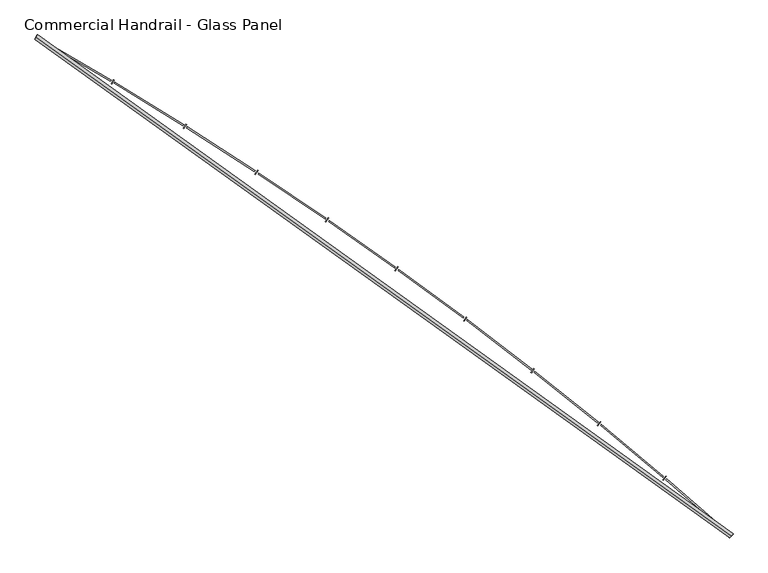
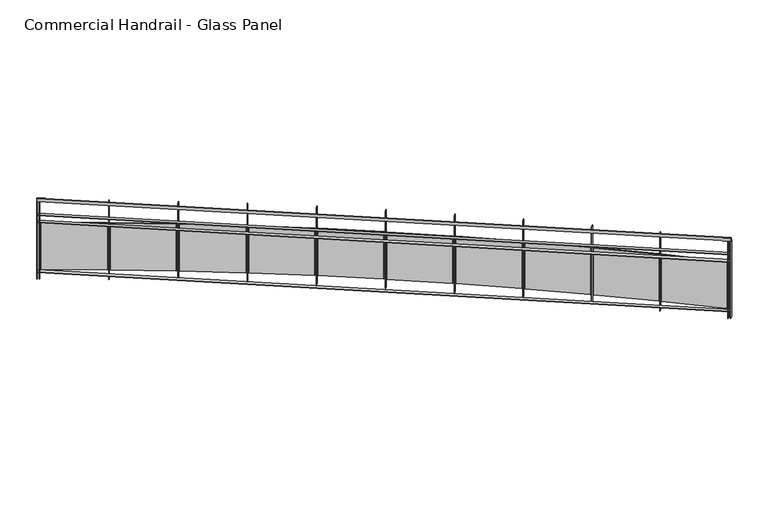
"""IFC4 building model written with IfcOpenShell, lengths in millimetres: railing geometry, Commercial Handrail - Glass Panel."""

import ifcopenshell
import ifcopenshell.guid

model = None  # the IFC model being written
_history = None  # IfcOwnerHistory: only IFC2X3 demands one
_inside = {}  # id of a spatial element -> (the spatial element, [elements in it])
_under = {}  # id of a project, library or spatial element -> (it, [spatial elements below it])
_declared = {}  # id of a project -> (the project, [libraries it declares])
_typed = {}  # id of a type object -> (the type object, [elements of that type])
_made_of = {}  # id of a material, layer set ... -> (it, [elements and type objects made of it])


def new_model(schema):
    """Start an empty IFC model of exactly this schema.

    Asked for "IFC4X3", IfcOpenShell would pick the latest addendum, in which some entities
    have other attributes; the version numbers below select the first issue.
    IFC2X3 requires an IfcOwnerHistory on every rooted entity: one is made here for all.
    """
    global model, _history
    if schema == "IFC4X3":
        model = ifcopenshell.file(schema_version=(4, 3, 0, 0))
    else:
        model = ifcopenshell.file(schema=schema)
    _inside.clear()
    _under.clear()
    _declared.clear()
    _typed.clear()
    _made_of.clear()
    _history = None
    if model.schema == "IFC2X3":
        org = make("IfcOrganization", Name="unknown")
        user = make(
            "IfcPersonAndOrganization",
            ThePerson=make("IfcPerson", FamilyName="unknown"),
            TheOrganization=org,
        )
        app = make(
            "IfcApplication",
            ApplicationDeveloper=org,
            Version="unknown",
            ApplicationFullName="unknown",
            ApplicationIdentifier="unknown",
        )
        _history = make(
            "IfcOwnerHistory",
            OwningUser=user,
            OwningApplication=app,
            ChangeAction="ADDED",
            CreationDate=0,
        )
    return model


def make(cls, **values):
    """One entity of the class cls with the attributes given. An attribute that is None is left unset."""
    return model.create_entity(
        cls, **{name: value for name, value in values.items() if value is not None}
    )


def rooted(cls, **values):
    """An entity with a GlobalId (a new one), such as an element, a storey or a relation."""
    return make(cls, GlobalId=ifcopenshell.guid.new(), OwnerHistory=_history, **values)


def si_unit(unit_type, name, prefix=None):
    """IfcSIUnit, for example si_unit("LENGTHUNIT", "METRE", prefix="MILLI")."""
    return make("IfcSIUnit", UnitType=unit_type, Prefix=prefix, Name=name)


def assignment(units):
    """IfcUnitAssignment: the units of a project."""
    return None if units is None else make("IfcUnitAssignment", Units=units)


def point(xyz):
    """IfcCartesianPoint."""
    return None if xyz is None else make("IfcCartesianPoint", Coordinates=xyz)


def direction(xyz):
    """IfcDirection."""
    return None if xyz is None else make("IfcDirection", DirectionRatios=xyz)


def frame(location, z_axis=None, x_axis=None):
    """IfcAxis2Placement3D, a coordinate frame: its origin and axes. An axis left out is left unset."""
    return make(
        "IfcAxis2Placement3D",
        Location=point(location),
        Axis=direction(z_axis),
        RefDirection=direction(x_axis),
    )


def origin():
    """The frame at (0, 0, 0) with its axes left unset."""
    return frame((0.0, 0.0, 0.0))


def place(relative_to, where):
    """IfcLocalPlacement: puts the frame where relative to a parent placement (None: the world)."""
    return make(
        "IfcLocalPlacement", PlacementRelTo=relative_to, RelativePlacement=where
    )


def context(
    kind, dimensions, precision=None, world=None, true_north=None, identifier=None
):
    """IfcGeometricRepresentationContext, for example the 3D "Model" context."""
    return make(
        "IfcGeometricRepresentationContext",
        ContextIdentifier=identifier,
        ContextType=kind,
        CoordinateSpaceDimension=dimensions,
        Precision=precision,
        WorldCoordinateSystem=world,
        TrueNorth=true_north,
    )


def project(units=None, contexts=None):
    """IfcProject with its units and contexts."""
    return rooted(
        "IfcProject",
        Name="project",
        RepresentationContexts=contexts,
        UnitsInContext=assignment(units),
    )


def spatial(cls, under=None, at=None, **own):
    """A site, building, storey or space (cls), placed at a placement, below another one or the project."""
    s = rooted(cls, ObjectPlacement=at, **own)
    if under is not None:
        _under.setdefault(under.id(), (under, []))[1].append(s)
    return s


def polyline(points):
    """IfcPolyline through the points."""
    return make("IfcPolyline", Points=[point(p) for p in points])


def circle_curve(where, radius):
    """IfcCircle in the frame where."""
    return make("IfcCircle", Position=where, Radius=radius)


def ellipse_curve(where, semi_axis1, semi_axis2):
    """IfcEllipse in the frame where."""
    return make(
        "IfcEllipse", Position=where, SemiAxis1=semi_axis1, SemiAxis2=semi_axis2
    )


def trimmed(basis, trim1, trim2, sense, master):
    """IfcTrimmedCurve: the piece of a basis curve between two trims."""
    return make(
        "IfcTrimmedCurve",
        BasisCurve=basis,
        Trim1=trim1,
        Trim2=trim2,
        SenseAgreement=sense,
        MasterRepresentation=master,
    )


def outline(outer, holes=None, kind="AREA"):
    """IfcArbitraryClosedProfileDef: a profile drawn as a closed curve; with holes, ...WithVoids."""
    if holes is None:
        return make("IfcArbitraryClosedProfileDef", ProfileType=kind, OuterCurve=outer)
    return make(
        "IfcArbitraryProfileDefWithVoids",
        ProfileType=kind,
        OuterCurve=outer,
        InnerCurves=holes,
    )


def extrude(swept, where, along, depth):
    """IfcExtrudedAreaSolid: the profile swept, set in the frame where, extruded along a direction by depth."""
    return make(
        "IfcExtrudedAreaSolid",
        SweptArea=swept,
        Position=where,
        ExtrudedDirection=direction(along),
        Depth=depth,
    )


def shape(context_of_items, identifier, shape_type, items):
    """IfcShapeRepresentation: the items that make up one representation, for example the "Body"."""
    return make(
        "IfcShapeRepresentation",
        ContextOfItems=context_of_items,
        RepresentationIdentifier=identifier,
        RepresentationType=shape_type,
        Items=items,
    )


def source(mapping_origin, context_of_items, identifier, shape_type, items):
    """IfcRepresentationMap: a shape defined once, which mapped items show again and again."""
    return make(
        "IfcRepresentationMap",
        MappingOrigin=mapping_origin,
        MappedRepresentation=shape(context_of_items, identifier, shape_type, items),
    )


def transform(
    local_origin,
    x_axis=None,
    y_axis=None,
    z_axis=None,
    scale=None,
    scale2=None,
    scale3=None,
    uniform=True,
):
    """IfcCartesianTransformationOperator3D, or its non-uniform kind. x_axis, y_axis, z_axis: its Axis1, 2, 3."""
    if uniform:
        return make(
            "IfcCartesianTransformationOperator3D",
            Axis1=direction(x_axis),
            Axis2=direction(y_axis),
            LocalOrigin=point(local_origin),
            Scale=scale,
            Axis3=direction(z_axis),
        )
    return make(
        "IfcCartesianTransformationOperator3DnonUniform",
        Axis1=direction(x_axis),
        Axis2=direction(y_axis),
        LocalOrigin=point(local_origin),
        Scale=scale,
        Axis3=direction(z_axis),
        Scale2=scale2,
        Scale3=scale3,
    )


def mapped(mapping_source, mapping_target):
    """IfcMappedItem: shows the shape of a source again, moved by a transform."""
    return make(
        "IfcMappedItem", MappingSource=mapping_source, MappingTarget=mapping_target
    )


def made_of(thing, what):
    """Note that an element or type object is made of a material, layer set ...; save() writes the relation."""
    if what is not None:
        _made_of.setdefault(what.id(), (what, []))[1].append(thing)
    return thing


def element(
    cls,
    number,
    at=None,
    inside=None,
    cuts=None,
    type_object=None,
    material=None,
    context=None,
    identifier="Body",
    shape_type=None,
    held_by="IfcProductDefinitionShape",
    body=None,
    shapes=None,
    **own,
):
    """One element of the class cls, such as IfcWall. Its Tag is "e" and its number.

    at: its placement. inside: the storey or other place that contains it. cuts: it is an
    opening in that element (IfcRelVoidsElement). A single representation is given by context,
    identifier, shape_type and body (its items); several are given by shapes. held_by: the class
    of the entity that holds the representations. save() writes the other relations.
    """
    e = rooted(cls, Tag="e%d" % number, ObjectPlacement=at, **own)
    if body is not None:
        shapes = [shape(context, identifier, shape_type, body)]
    if shapes is not None:
        e.Representation = make(held_by, Representations=shapes)
    if inside is not None:
        _inside.setdefault(inside.id(), (inside, []))[1].append(e)
    if cuts is not None:
        rooted(
            "IfcRelVoidsElement", RelatingBuildingElement=cuts, RelatedOpeningElement=e
        )
    if type_object is not None:
        _typed.setdefault(type_object.id(), (type_object, []))[1].append(e)
    return made_of(e, material)


def aggregate(whole, parts):
    """IfcRelAggregates: a whole, such as a stair, and the parts it consists of."""
    return rooted("IfcRelAggregates", RelatingObject=whole, RelatedObjects=parts)


def save(model, path):
    """Write the relations noted so far, then the file.

    IfcRelAggregates (storeys below a building ...), IfcRelContainedInSpatialStructure (elements
    in a storey), IfcRelDefinesByType, IfcRelAssociatesMaterial and IfcRelDeclares: one each for
    every whole, place, type object, material and project.
    """
    for whole, parts in _under.values():
        aggregate(whole, parts)
    for where, things in _inside.values():
        rooted(
            "IfcRelContainedInSpatialStructure",
            RelatedElements=things,
            RelatingStructure=where,
        )
    for kind, things in _typed.values():
        rooted("IfcRelDefinesByType", RelatedObjects=things, RelatingType=kind)
    for what, things in _made_of.values():
        rooted("IfcRelAssociatesMaterial", RelatedObjects=things, RelatingMaterial=what)
    for by, libraries in _declared.values():
        rooted("IfcRelDeclares", RelatingContext=by, RelatedDefinitions=libraries)
    model.write(path)


def plane_surface(at):
    """IfcPlane: the flat surface through the origin of the frame at, square to its z axis."""
    return make("IfcPlane", Position=at)


def cylinder_surface(at, radius):
    """IfcCylindricalSurface: all points at the distance radius from the z axis of the frame at."""
    return make("IfcCylindricalSurface", Position=at, Radius=radius)


def revolved_surface(curve, axis_point, axis_direction):
    """IfcSurfaceOfRevolution: the curve turned about the line through axis_point along axis_direction."""
    return make(
        "IfcSurfaceOfRevolution",
        SweptCurve=make("IfcArbitraryOpenProfileDef", ProfileType="CURVE", Curve=curve),
        AxisPosition=make("IfcAxis1Placement", Location=point(axis_point), Axis=direction(axis_direction)),
    )


def advanced_brep(points, edges, surfaces, faces):
    """IfcAdvancedBrep: a solid bounded by faces that lie on surfaces and meet in shared edges.

    An edge is (start, end): straight between two places in points (the first is 0);
    or (start, end, curve); or (start, end, curve, False) where it runs against its curve.
    A face is (place in surfaces, loops), or (place, loops, False) where it looks against
    its surface's normal. A loop lists edges by number (the first is 1), with a minus sign
    where the edge is run from its end to its start. The first loop is the outer one.
    """
    corners = [point(p) for p in points]
    vertices = [make("IfcVertexPoint", VertexGeometry=c) for c in corners]
    made = []
    for start, end, *more in edges:
        made.append(
            make(
                "IfcEdgeCurve",
                EdgeStart=vertices[start],
                EdgeEnd=vertices[end],
                EdgeGeometry=more[0] if more else make("IfcPolyline", Points=[corners[start], corners[end]]),
                SameSense=more[1] if len(more) > 1 else True,
            )
        )
    hull = []
    for where, loops, *sense in faces:
        bounds = []
        for j, loop in enumerate(loops):
            ring = [make("IfcOrientedEdge", EdgeElement=made[abs(k) - 1], Orientation=k > 0) for k in loop]
            bounds.append(
                make(
                    "IfcFaceOuterBound" if j == 0 else "IfcFaceBound",
                    Bound=make("IfcEdgeLoop", EdgeList=ring),
                    Orientation=True,
                )
            )
        hull.append(make("IfcAdvancedFace", Bounds=bounds, FaceSurface=surfaces[where], SameSense=sense[0] if sense else True))
    return make("IfcAdvancedBrep", Outer=make("IfcClosedShell", CfsFaces=hull))


def commercial_handrail_glass_panel_be9531a5(model_context):
    return source(origin(), model_context, "Body", "SolidModel", [
        advanced_brep(
        [(167549.0741026, -21421.502679, 23082.5), (161013.6212135, -16726.1286002, 23082.5), (161013.6212135, -16726.1286002, 23117.5), (167549.0741026, -21421.502679, 23117.5)],
        [
            (0, 1, circle_curve(frame((141448.4989992, -50854.6714836, 23082.5), z_axis=(0.0, 0.0, 1.0), x_axis=(0.4973475894068907, 0.8675513675346002, 0.0)), 39338.9304203)),
            (1, 2, ellipse_curve(frame((161013.6212135, -16726.1286002, 23100.0), z_axis=(0.867551367534597, -0.4973475894068962, 0.0), x_axis=(-0.4973475894068962, -0.867551367534597, 0.0)), 25.0, 17.5)),
            (2, 3, circle_curve(frame((141448.4989992, -50854.6714836, 23117.5), z_axis=(0.0, 0.0, -1.0), x_axis=(0.4973475894068907, 0.8675513675346002, 0.0)), 39338.9304203)),
            (3, 0, ellipse_curve(frame((167549.0741026, -21421.502679, 23100.0), z_axis=(-0.748194434626209, 0.6634795309535686, 0.0), x_axis=(-0.6634795309535686, -0.748194434626209, 0.0)), 25.0, 17.5)),
            (2, 1, ellipse_curve(frame((161013.6212135, -16726.1286002, 23100.0), z_axis=(0.867551367534597, -0.4973475894068962, 0.0), x_axis=(-0.4973475894068962, -0.867551367534597, 0.0)), 25.0, 17.5)),
            (0, 3, ellipse_curve(frame((167549.0741026, -21421.502679, 23100.0), z_axis=(-0.748194434626209, 0.6634795309535686, 0.0), x_axis=(-0.6634795309535686, -0.748194434626209, 0.0)), 25.0, 17.5)),
        ],
        [
            revolved_surface(trimmed(ellipse_curve(frame((161013.6212135, -16726.1286002, 23100.0), z_axis=(-0.8675513675346002, 0.4973475894068907, 0.0), x_axis=(0.0, 0.0, -1.0)), 17.5, 25.0), [point((161013.6212135, -16726.1286002, 23117.5))], [point((161013.6212135, -16726.1286002, 23082.5))], True, "CARTESIAN"), (141448.4989992, -50854.6714836, 23100.0), (0.0, 0.0, -1.0)),
            revolved_surface(trimmed(ellipse_curve(frame((161013.6212135, -16726.1286002, 23100.0), z_axis=(-0.8675513675346002, 0.4973475894068907, 0.0), x_axis=(0.0, 0.0, -1.0)), 17.5, 25.0), [point((161013.6212135, -16726.1286002, 23082.5))], [point((161013.6212135, -16726.1286002, 23117.5))], True, "CARTESIAN"), (141448.4989992, -50854.6714836, 23100.0), (0.0, 0.0, -1.0)),
            plane_surface(frame((161013.6212135, -16726.1286002, 23100.0), z_axis=(-0.8675513675346002, 0.4973475894068907, 0.0), x_axis=(0.4973475894068907, 0.8675513675346002, 0.0))),
            plane_surface(frame((167549.0741026, -21421.502679, 23100.0), z_axis=(0.7481944346262088, -0.663479530953569, 0.0), x_axis=(0.663479530953569, 0.7481944346262088, 0.0))),
        ],
        [
            (0, [[1, 2, 3, 4]]),
            (1, [[-3, 5, -1, 6]]),
            (2, [[-2, -5]]),
            (3, [[-6, -4]]),
        ],
    ),
        advanced_brep(
        [(167564.0023921, -21404.6683042, 22900.0), (161024.8115343, -16706.6086944, 22900.0), (161002.4308928, -16745.6485059, 22900.0), (167534.1458132, -21438.3370538, 22900.0), (167564.0023921, -21404.6683042, 22894.0), (161024.8115343, -16706.6086944, 22894.0), (167534.1458132, -21438.3370538, 22894.0), (161002.4308928, -16745.6485059, 22894.0)],
        [
            (0, 1, circle_curve(frame((141448.4989992, -50854.6714836, 22900.0), z_axis=(0.0, 0.0, 1.0), x_axis=(0.4973475894068907, 0.8675513675346002, 0.0)), 39361.4304203)),
            (1, 2),
            (2, 3, circle_curve(frame((141448.4989992, -50854.6714836, 22900.0), z_axis=(0.0, 0.0, -1.0), x_axis=(0.4973475894068907, 0.8675513675346002, 0.0)), 39316.4304203)),
            (3, 0),
            (4, 5, circle_curve(frame((141448.4989992, -50854.6714836, 22894.0), z_axis=(0.0, 0.0, 1.0), x_axis=(0.4973475894068907, 0.8675513675346002, 0.0)), 39361.4304203)),
            (5, 1),
            (0, 4),
            (6, 7, circle_curve(frame((141448.4989992, -50854.6714836, 22894.0), z_axis=(0.0, 0.0, 1.0), x_axis=(0.4973475894068907, 0.8675513675346002, 0.0)), 39316.4304203)),
            (7, 5),
            (4, 6),
            (2, 7),
            (6, 3),
        ],
        [
            plane_surface(frame((141448.4989992, -50854.6714836, 22900.0), z_axis=(0.0, 0.0, 1.0), x_axis=(0.4973475894068907, 0.8675513675346002, 0.0))),
            cylinder_surface(frame((141448.4989992, -50854.6714836, 22900.0), z_axis=(0.0, 0.0, -1.0), x_axis=(0.4973475894068907, 0.8675513675346002, 0.0)), 39361.4304203),
            plane_surface(frame((141448.4989992, -50854.6714836, 22894.0), z_axis=(0.0, 0.0, -1.0), x_axis=(0.4973475894068907, 0.8675513675346002, 0.0))),
            revolved_surface(polyline([(161002.43089281995, -16745.64850588978, 22894.0), (161002.43089281995, -16745.64850588978, 22900.0)]), (141448.4989992, -50854.6714836, 22900.0), (0.0, 0.0, -1.0)),
            plane_surface(frame((161013.6212135, -16726.1286002, 22900.0), z_axis=(-0.8675513675346002, 0.4973475894068907, 0.0), x_axis=(0.4973475894068907, 0.8675513675346002, 0.0))),
            plane_surface(frame((167549.0741026, -21421.502679, 22900.0), z_axis=(0.7481944346262088, -0.663479530953569, 0.0), x_axis=(0.663479530953569, 0.7481944346262088, 0.0))),
        ],
        [
            (0, [[1, 2, 3, 4]]),
            (1, [[5, 6, -1, 7]]),
            (2, [[8, 9, -5, 10]]),
            (3, [[-3, 11, -8, 12]]),
            (4, [[-2, -6, -9, -11]]),
            (5, [[-12, -10, -7, -4]]),
        ],
    ),
        advanced_brep(
        [(167564.0023921, -21404.6683042, 22800.0), (161024.8115343, -16706.6086944, 22800.0), (161002.4308928, -16745.6485059, 22800.0), (167534.1458132, -21438.3370538, 22800.0), (167564.0023921, -21404.6683042, 22794.0), (161024.8115343, -16706.6086944, 22794.0), (167534.1458132, -21438.3370538, 22794.0), (161002.4308928, -16745.6485059, 22794.0)],
        [
            (0, 1, circle_curve(frame((141448.4989992, -50854.6714836, 22800.0), z_axis=(0.0, 0.0, 1.0), x_axis=(0.4973475894068907, 0.8675513675346002, 0.0)), 39361.4304203)),
            (1, 2),
            (2, 3, circle_curve(frame((141448.4989992, -50854.6714836, 22800.0), z_axis=(0.0, 0.0, -1.0), x_axis=(0.4973475894068907, 0.8675513675346002, 0.0)), 39316.4304203)),
            (3, 0),
            (4, 5, circle_curve(frame((141448.4989992, -50854.6714836, 22794.0), z_axis=(0.0, 0.0, 1.0), x_axis=(0.4973475894068907, 0.8675513675346002, 0.0)), 39361.4304203)),
            (5, 1),
            (0, 4),
            (6, 7, circle_curve(frame((141448.4989992, -50854.6714836, 22794.0), z_axis=(0.0, 0.0, 1.0), x_axis=(0.4973475894068907, 0.8675513675346002, 0.0)), 39316.4304203)),
            (7, 5),
            (4, 6),
            (2, 7),
            (6, 3),
        ],
        [
            plane_surface(frame((141448.4989992, -50854.6714836, 22800.0), z_axis=(0.0, 0.0, 1.0), x_axis=(0.4973475894068907, 0.8675513675346002, 0.0))),
            cylinder_surface(frame((141448.4989992, -50854.6714836, 22800.0), z_axis=(0.0, 0.0, -1.0), x_axis=(0.4973475894068907, 0.8675513675346002, 0.0)), 39361.4304203),
            plane_surface(frame((141448.4989992, -50854.6714836, 22794.0), z_axis=(0.0, 0.0, -1.0), x_axis=(0.4973475894068907, 0.8675513675346002, 0.0))),
            revolved_surface(polyline([(161002.43089281995, -16745.64850588978, 22794.0), (161002.43089281995, -16745.64850588978, 22800.0)]), (141448.4989992, -50854.6714836, 22800.0), (0.0, 0.0, -1.0)),
            plane_surface(frame((161013.6212135, -16726.1286002, 22800.0), z_axis=(-0.8675513675346002, 0.4973475894068907, 0.0), x_axis=(0.4973475894068907, 0.8675513675346002, 0.0))),
            plane_surface(frame((167549.0741026, -21421.502679, 22800.0), z_axis=(0.7481944346262088, -0.663479530953569, 0.0), x_axis=(0.663479530953569, 0.7481944346262088, 0.0))),
        ],
        [
            (0, [[1, 2, 3, 4]]),
            (1, [[5, 6, -1, 7]]),
            (2, [[8, 9, -5, 10]]),
            (3, [[-3, 11, -8, 12]]),
            (4, [[-2, -6, -9, -11]]),
            (5, [[-12, -10, -7, -4]]),
        ],
    ),
        advanced_brep(
        [(167564.0023921, -21404.6683042, 22100.0), (161024.8115343, -16706.6086944, 22100.0), (161002.4308928, -16745.6485059, 22100.0), (167534.1458132, -21438.3370538, 22100.0), (167564.0023921, -21404.6683042, 22094.0), (161024.8115343, -16706.6086944, 22094.0), (167534.1458132, -21438.3370538, 22094.0), (161002.4308928, -16745.6485059, 22094.0)],
        [
            (0, 1, circle_curve(frame((141448.4989992, -50854.6714836, 22100.0), z_axis=(0.0, 0.0, 1.0), x_axis=(0.4973475894068907, 0.8675513675346002, 0.0)), 39361.4304203)),
            (1, 2),
            (2, 3, circle_curve(frame((141448.4989992, -50854.6714836, 22100.0), z_axis=(0.0, 0.0, -1.0), x_axis=(0.4973475894068907, 0.8675513675346002, 0.0)), 39316.4304203)),
            (3, 0),
            (4, 5, circle_curve(frame((141448.4989992, -50854.6714836, 22094.0), z_axis=(0.0, 0.0, 1.0), x_axis=(0.4973475894068907, 0.8675513675346002, 0.0)), 39361.4304203)),
            (5, 1),
            (0, 4),
            (6, 7, circle_curve(frame((141448.4989992, -50854.6714836, 22094.0), z_axis=(0.0, 0.0, 1.0), x_axis=(0.4973475894068907, 0.8675513675346002, 0.0)), 39316.4304203)),
            (7, 5),
            (4, 6),
            (2, 7),
            (6, 3),
        ],
        [
            plane_surface(frame((141448.4989992, -50854.6714836, 22100.0), z_axis=(0.0, 0.0, 1.0), x_axis=(0.4973475894068907, 0.8675513675346002, 0.0))),
            cylinder_surface(frame((141448.4989992, -50854.6714836, 22100.0), z_axis=(0.0, 0.0, -1.0), x_axis=(0.4973475894068907, 0.8675513675346002, 0.0)), 39361.4304203),
            plane_surface(frame((141448.4989992, -50854.6714836, 22094.0), z_axis=(0.0, 0.0, -1.0), x_axis=(0.4973475894068907, 0.8675513675346002, 0.0))),
            revolved_surface(polyline([(161002.43089281995, -16745.64850588978, 22094.0), (161002.43089281995, -16745.64850588978, 22100.0)]), (141448.4989992, -50854.6714836, 22100.0), (0.0, 0.0, -1.0)),
            plane_surface(frame((161013.6212135, -16726.1286002, 22100.0), z_axis=(-0.8675513675346002, 0.4973475894068907, 0.0), x_axis=(0.4973475894068907, 0.8675513675346002, 0.0))),
            plane_surface(frame((167549.0741026, -21421.502679, 22100.0), z_axis=(0.7481944346262088, -0.663479530953569, 0.0), x_axis=(0.663479530953569, 0.7481944346262088, 0.0))),
        ],
        [
            (0, [[1, 2, 3, 4]]),
            (1, [[5, 6, -1, 7]]),
            (2, [[8, 9, -5, 10]]),
            (3, [[-3, 11, -8, 12]]),
            (4, [[-2, -6, -9, -11]]),
            (5, [[-12, -10, -7, -4]]),
        ],
    ),
        extrude(outline(polyline([(167508.9444824, -21416.0082801), (167538.7747877, -21382.3162501), (167543.2670583, -21386.2936241), (167513.436753, -21419.9856541), (167508.9444824, -21416.0082801)])), frame((0.0, 0.0, 22000.0), z_axis=(0.0, 0.0, 1.0), x_axis=(1.0, 0.0, 0.0)), (0.0, 0.0, 1.0), 1082.1192282),
        extrude(outline(polyline([(166942.1525945, -20883.992877), (167516.2667104, -21381.9818146), (167508.4037272, -21391.0467743), (166934.2896113, -20893.0578368), (166942.1525945, -20883.992877)])), frame((0.0, 0.0, 22120.0), z_axis=(0.0, 0.0, 1.0), x_axis=(1.0, 0.0, 0.0)), (0.0, 0.0, 1.0), 660.0),
        extrude(outline(polyline([(166904.9299151, -20892.1643286), (166934.0689354, -20857.8726752), (166938.6411559, -20861.7578779), (166909.5021355, -20896.0495313), (166904.9299151, -20892.1643286)])), frame((0.0, 0.0, 22000.0), z_axis=(0.0, 0.0, 1.0), x_axis=(1.0, 0.0, 0.0)), (0.0, 0.0, 1.0), 1082.1192282),
        extrude(outline(polyline([(166327.4368564, -20371.7844669), (166911.5587116, -20857.9960035), (166903.8816873, -20867.2189802), (166319.7598321, -20381.0074436), (166327.4368564, -20371.7844669)])), frame((0.0, 0.0, 22120.0), z_axis=(0.0, 0.0, 1.0), x_axis=(1.0, 0.0, 0.0)), (0.0, 0.0, 1.0), 660.0),
        extrude(outline(polyline([(166290.3880375, -20380.7111404), (166318.8237226, -20345.8340446), (166323.4740021, -20349.6254693), (166295.0383169, -20384.5025651), (166290.3880375, -20380.7111404)])), frame((0.0, 0.0, 22000.0), z_axis=(0.0, 0.0, 1.0), x_axis=(1.0, 0.0, 0.0)), (0.0, 0.0, 1.0), 1082.1192282),
        extrude(outline(polyline([(165702.4326258, -19872.1820192), (166296.3206611, -20346.4150858), (166288.8327706, -20355.7922653), (165694.9447352, -19881.5591987), (165702.4326258, -19872.1820192)])), frame((0.0, 0.0, 22120.0), z_axis=(0.0, 0.0, 1.0), x_axis=(1.0, 0.0, 0.0)), (0.0, 0.0, 1.0), 660.0),
        extrude(outline(polyline([(165665.5729886, -19881.860223), (165693.2935792, -19846.4121081), (165698.0199946, -19850.1081868), (165670.2994039, -19885.5563018), (165665.5729886, -19881.860223)])), frame((0.0, 0.0, 22000.0), z_axis=(0.0, 0.0, 1.0), x_axis=(1.0, 0.0, 0.0)), (0.0, 0.0, 1.0), 1082.1192282),
        extrude(outline(polyline([(165067.3983683, -19385.3921406), (165670.8069859, -19847.4506219), (165663.5113257, -19856.9781264), (165060.102708, -19394.9196451), (165067.3983683, -19385.3921406)])), frame((0.0, 0.0, 22120.0), z_axis=(0.0, 0.0, 1.0), x_axis=(1.0, 0.0, 0.0)), (0.0, 0.0, 1.0), 660.0),
        extrude(outline(polyline([(165030.7431559, -19395.8178725), (165057.7371883, -19359.8133976), (165062.537785, -19363.412602), (165035.5437525, -19399.4170768), (165030.7431559, -19395.8178725)])), frame((0.0, 0.0, 22000.0), z_axis=(0.0, 0.0, 1.0), x_axis=(1.0, 0.0, 0.0)), (0.0, 0.0, 1.0), 1082.1192282),
        extrude(outline(polyline([(164422.5966974, -18911.6161393), (165035.2763625, -19361.3089545), (165028.1759496, -19370.982844), (164415.4962846, -18921.2900288), (164422.5966974, -18911.6161393)])), frame((0.0, 0.0, 22120.0), z_axis=(0.0, 0.0, 1.0), x_axis=(1.0, 0.0, 0.0)), (0.0, 0.0, 1.0), 660.0),
        extrude(outline(polyline([(164386.1610683, -18922.7850878), (164412.4173794, -18886.2391424), (164417.2901721, -18889.7399839), (164391.033861, -18926.2859293), (164386.1610683, -18922.7850878)])), frame((0.0, 0.0, 22000.0), z_axis=(0.0, 0.0, 1.0), x_axis=(1.0, 0.0, 0.0)), (0.0, 0.0, 1.0), 1082.1192282),
        extrude(outline(polyline([(163768.294266, -18451.0499418), (164389.9916095, -18888.1911239), (164383.0893803, -18898.0073978), (163761.3920368, -18460.8662157), (163768.294266, -18451.0499418)])), frame((0.0, 0.0, 22120.0), z_axis=(0.0, 0.0, 1.0), x_axis=(1.0, 0.0, 0.0)), (0.0, 0.0, 1.0), 660.0),
        extrude(outline(polyline([(163732.0932877, -18462.957488), (163757.6010195, -18425.8851854), (163762.5439932, -18429.2862163), (163737.0362614, -18466.3585189), (163732.0932877, -18462.957488)])), frame((0.0, 0.0, 22000.0), z_axis=(0.0, 0.0, 1.0), x_axis=(1.0, 0.0, 0.0)), (0.0, 0.0, 1.0), 1082.1192282),
        extrude(outline(polyline([(163104.7616557, -18003.8840116), (163735.2195795, -18428.2927843), (163728.5183883, -18438.2473831), (163098.0604645, -18013.8386104), (163104.7616557, -18003.8840116)])), frame((0.0, 0.0, 22120.0), z_axis=(0.0, 0.0, 1.0), x_axis=(1.0, 0.0, 0.0)), (0.0, 0.0, 1.0), 660.0),
        extrude(outline(polyline([(163068.810299, -18016.5252312), (163093.5589027, -17978.9419023), (163098.5700133, -17982.2417162), (163073.8214095, -18019.8250451), (163068.810299, -18016.5252312)])), frame((0.0, 0.0, 22000.0), z_axis=(0.0, 0.0, 1.0), x_axis=(1.0, 0.0, 0.0)), (0.0, 0.0, 1.0), 1082.1192282),
        extrude(outline(polyline([(162432.2732653, -17570.3032708), (163071.2310484, -17981.8041231), (163064.7336665, -17991.8929302), (162425.7758834, -17580.3920779), (162432.2732653, -17570.3032708)])), frame((0.0, 0.0, 22120.0), z_axis=(0.0, 0.0, 1.0), x_axis=(1.0, 0.0, 0.0)), (0.0, 0.0, 1.0), 660.0),
        extrude(outline(polyline([(162396.5863975, -17583.6729362), (162420.5656387, -17545.5941233), (162425.6428138, -17548.7913555), (162401.6635725, -17586.8701683), (162396.5863975, -17583.6729362)])), frame((0.0, 0.0, 22000.0), z_axis=(0.0, 0.0, 1.0), x_axis=(1.0, 0.0, 0.0)), (0.0, 0.0, 1.0), 1082.1192282),
        extrude(outline(polyline([(161751.1071971, -17150.4870233), (162398.3006035, -17548.9097821), (162392.0097178, -17559.1286254), (161744.8163114, -17160.7058665), (161751.1071971, -17150.4870233)])), frame((0.0, 0.0, 22120.0), z_axis=(0.0, 0.0, 1.0), x_axis=(1.0, 0.0, 0.0)), (0.0, 0.0, 1.0), 660.0),
        extrude(outline(polyline([(161715.6995763, -17164.5796055), (161738.8995386, -17126.0210558), (161744.0406785, -17129.1143841), (161720.8407163, -17167.6729338), (161715.6995763, -17164.5796055)])), frame((0.0, 0.0, 22000.0), z_axis=(0.0, 0.0, 1.0), x_axis=(1.0, 0.0, 0.0)), (0.0, 0.0, 1.0), 1082.1192282),
        extrude(outline(polyline([(161061.5451422, -16744.6088808), (161716.70653, -17129.7887816), (161710.6247421, -17140.1334351), (161055.4633543, -16754.9535343), (161061.5451422, -16744.6088808)])), frame((0.0, 0.0, 22120.0), z_axis=(0.0, 0.0, 1.0), x_axis=(1.0, 0.0, 0.0)), (0.0, 0.0, 1.0), 660.0),
        extrude(outline(polyline([(161026.431411, -16759.418552), (161048.8425001, -16720.3962112), (161054.0454789, -16723.3843564), (161031.6343898, -16762.4066972), (161026.431411, -16759.418552)])), frame((0.0, 0.0, 22000.0), z_axis=(0.0, 0.0, 1.0), x_axis=(1.0, 0.0, 0.0)), (0.0, 0.0, 1.0), 1082.1192282),
        extrude(outline(polyline([(167531.9012299, -21436.3466152), (167561.7578088, -21402.6778657), (167566.2469754, -21406.6587428), (167536.3903965, -21440.3274924), (167531.9012299, -21436.3466152)])), frame((0.0, 0.0, 22000.0), z_axis=(0.0, 0.0, 1.0), x_axis=(1.0, 0.0, 0.0)), (0.0, 0.0, 1.0), 1082.1192282),
        extrude(outline(polyline([(160999.8282387, -16744.1564632), (161022.2088802, -16705.1166516), (161027.4141884, -16708.1007372), (161005.0335469, -16747.1405487), (160999.8282387, -16744.1564632)])), frame((0.0, 0.0, 22000.0), z_axis=(0.0, 0.0, 1.0), x_axis=(1.0, 0.0, 0.0)), (0.0, 0.0, 1.0), 1082.1192282),
    ])


if __name__ == "__main__":
    model = new_model("IFC4")
    model_context = context("Model", 3, world=origin())
    ifc_project = project(units=[si_unit("LENGTHUNIT", "METRE", prefix="MILLI")], contexts=[model_context])
    site = spatial("IfcSite", under=ifc_project)
    building = spatial("IfcBuilding", under=site)
    placement = place(None, origin())
    commercial_handrail_glass_panel_shape = commercial_handrail_glass_panel_be9531a5(model_context)
    element("IfcRailing", 1, ObjectType="Commercial Handrail - Glass Panel", at=placement, inside=building, context=model_context, shape_type="MappedRepresentation", body=[
        mapped(commercial_handrail_glass_panel_shape, transform((0.0, 0.0, 0.0), x_axis=(1.0, 0.0, 0.0), y_axis=(0.0, 1.0, 0.0), z_axis=(0.0, 0.0, 1.0))),
    ])
    save(model, "model.ifc")
